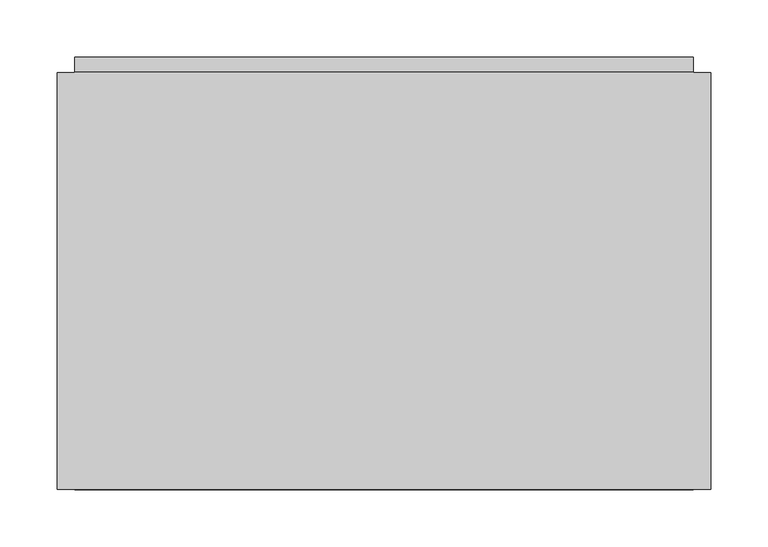
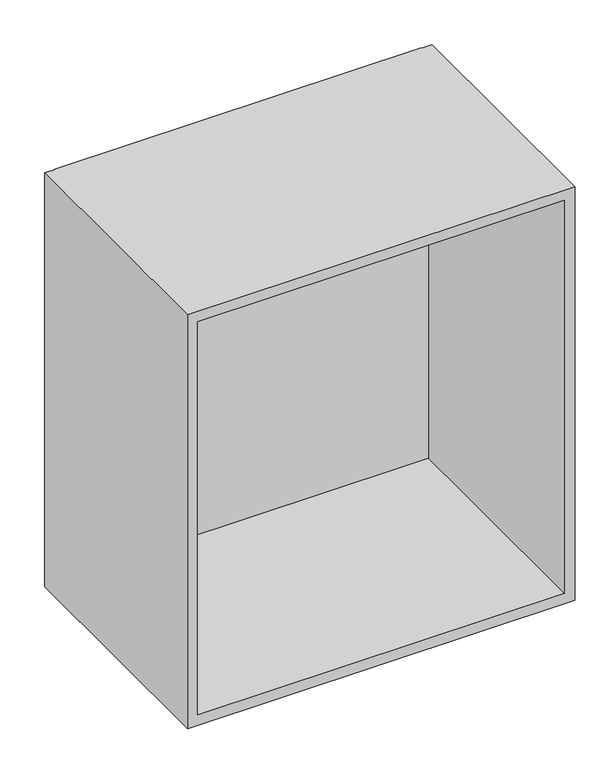
"""IFC4 building model written with IfcOpenShell, lengths in millimetres: furniture geometry."""

from ifc_helpers import new_model, si_unit, origin, place, context, project, spatial, faceted_brep, source, transform, mapped, element, save


def furniture_33c6ea56(model_context):
    return source(origin(), model_context, "Body", "Brep", [
        faceted_brep([(-284.1625, -300.482, 880.618), (-284.1625, -300.482, 239.268), (284.1625, -300.482, 239.268), (284.1625, -300.482, 880.618), (-269.08125, -300.482, 864.4890063), (269.08125, -300.482, 864.4890063), (269.08125, -300.482, 255.2525439), (-269.08125, -300.482, 255.2525439), (-269.08125, 62.357, 880.618), (-284.1625, 62.357, 880.618), (284.1625, 62.357, 880.618), (269.08125, 62.357, 880.618), (269.08125, 63.1150395, 880.618), (-269.08125, 63.1150395, 880.618), (-269.08125, 61.5910395, 864.4890063), (269.08125, 61.5910395, 864.4890063), (-284.1625, 62.357, 239.268), (-269.08125, 62.357, 239.268), (-269.08125, 61.5910395, 239.268), (269.08125, 61.5910395, 239.268), (269.08125, 62.357, 239.268), (284.1625, 62.357, 239.268), (-269.08125, 44.7000393, 255.2525439), (-269.08125, 44.7000393, 697.8396035), (-269.08125, 62.357, 697.8396035), (-269.08125, 62.357, 784.5806036), (-269.08125, 61.5910395, 784.5806036), (-269.08125, 62.357, 255.2525439), (-269.08125, 61.5910395, 255.2525439), (269.08125, 62.357, 697.8396035), (269.08125, 62.357, 784.5806036), (269.08125, 62.357, 255.2525439), (269.08125, 61.5910395, 784.5806036), (269.08125, 44.7000393, 697.8396035), (269.08125, 44.7000393, 255.2525439), (269.08125, 61.5910395, 255.2525439), (269.08125, 75.8150391, 786.1046037), (269.08125, 63.1150395, 786.1046037), (269.08125, 74.2910395, 784.5806036), (269.08125, 74.2910395, 771.8806033), (269.08125, 75.8150391, 771.8806033), (-269.08125, 75.8150391, 786.1046037), (-269.08125, 75.8150391, 771.8806033), (-269.08125, 74.2910395, 771.8806033), (-269.08125, 74.2910395, 784.5806036), (-269.08125, 63.1150395, 786.1046037)], [[[0, 1, 2, 3], [4, 5, 6, 7]], [[8, 9, 0, 3, 10, 11, 12, 13]], [[5, 4, 14, 15]], [[1, 16, 17, 18, 19, 20, 21, 2]], [[14, 4, 7, 22, 23, 24, 25, 26]], [[18, 17, 27, 28]], [[9, 8, 25, 24, 29, 30, 11, 10, 21, 20, 31, 27, 17, 16]], [[0, 9, 16, 1]], [[10, 3, 2, 21]], [[5, 15, 32, 30, 29, 33, 34, 6]], [[20, 19, 35, 31]], [[19, 18, 28, 35]], [[7, 6, 34, 22]], [[36, 37, 12, 11, 30, 38, 39, 40]], [[41, 42, 43, 44, 25, 8, 13, 45]], [[37, 36, 41, 45]], [[12, 37, 45, 13]], [[26, 32, 15, 14]], [[32, 26, 25, 44, 38, 30]], [[39, 38, 44, 43]], [[40, 39, 43, 42]], [[36, 40, 42, 41]], [[33, 23, 22, 34]], [[27, 31, 35, 28]], [[23, 33, 29, 24]]]),
    ])


if __name__ == "__main__":
    model = new_model("IFC4")
    model_context = context("Model", 3, world=origin())
    ifc_project = project(units=[si_unit("LENGTHUNIT", "METRE", prefix="MILLI")], contexts=[model_context])
    site = spatial("IfcSite", under=ifc_project)
    building = spatial("IfcBuilding", under=site)
    placement = place(None, origin())
    furniture_shape = furniture_33c6ea56(model_context)
    element("IfcFurniture", 1, at=placement, inside=building, context=model_context, shape_type="MappedRepresentation", body=[
        mapped(furniture_shape, transform((0.0, 0.0, 0.0), x_axis=(1.0, 0.0, 0.0), y_axis=(0.0, 1.0, 0.0), z_axis=(0.0, 0.0, 1.0))),
    ])
    save(model, "model.ifc")
